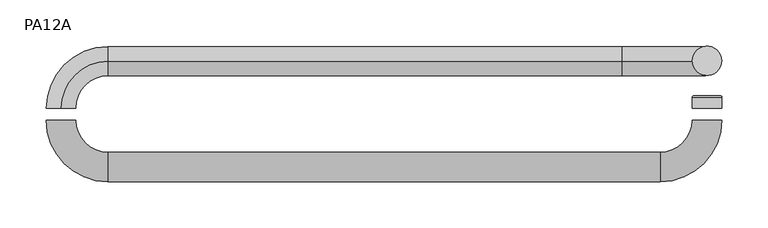
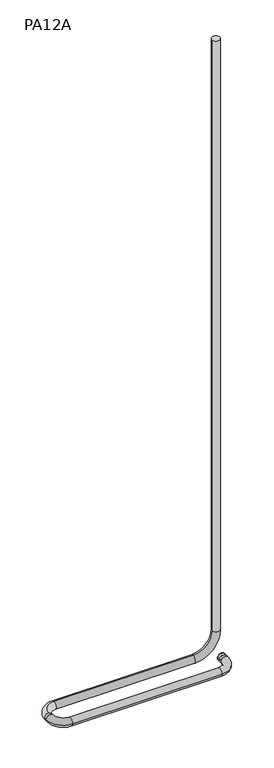
"""IFC4 building model written with IfcOpenShell, lengths in millimetres: proxy geometry, PA12A."""

from ifc_helpers import new_model, si_unit, point, frame, origin, place, context, project, spatial, circle_curve, ellipse_curve, trimmed, source, transform, mapped, element, save
from ifc_brep_helpers import plane_surface, cylinder_surface, revolved_surface, advanced_brep


def pa12a_78269cfb(model_context):
    return source(origin(), model_context, "Body", "AdvancedBrep", [
        advanced_brep(
        [(363.601, 19.8374, 1066.8), (334.899, 19.8374, 1066.8), (349.25, 19.8374, 1066.8), (365.125, 18.3134, 1066.8), (333.375, 18.3134, 1066.8), (365.125, 6.35, 1066.8), (333.375, 6.35, 1066.8), (349.25, 6.35, 1066.8)],
        [
            (0, 1, circle_curve(frame((349.25, 19.8374, 1066.8), z_axis=(0.0, 1.0, 0.0), x_axis=(-1.0, 0.0, 0.0)), 14.351)),
            (1, 2),
            (2, 0),
            (1, 0, circle_curve(frame((349.25, 19.8374, 1066.8), z_axis=(0.0, 1.0, 0.0), x_axis=(-1.0, 0.0, 0.0)), 14.351)),
            (3, 4, circle_curve(frame((349.25, 18.3134, 1066.8), z_axis=(0.0, 1.0, 0.0), x_axis=(-1.0, 0.0, 0.0)), 15.875)),
            (4, 1, circle_curve(frame((334.899, 18.3134, 1066.8), z_axis=(0.0, 0.0, -1.0), x_axis=(-1.0, 0.0, 0.0)), 1.524)),
            (0, 3, circle_curve(frame((363.601, 18.3134, 1066.8), z_axis=(0.0, 0.0, -1.0), x_axis=(1.0, 0.0, 0.0)), 1.524)),
            (4, 3, circle_curve(frame((349.25, 18.3134, 1066.8), z_axis=(0.0, 1.0, 0.0), x_axis=(-1.0, 0.0, 0.0)), 15.875)),
            (5, 6, circle_curve(frame((349.25, 6.35, 1066.8), z_axis=(0.0, 1.0, 0.0), x_axis=(-1.0, 0.0, 0.0)), 15.875)),
            (6, 4),
            (3, 5),
            (6, 5, circle_curve(frame((349.25, 6.35, 1066.8), z_axis=(0.0, 1.0, 0.0), x_axis=(-1.0, 0.0, 0.0)), 15.875)),
            (7, 6),
            (5, 7),
        ],
        [
            plane_surface(frame((349.25, 19.8374, 1066.8), z_axis=(0.0, 1.0, 0.0), x_axis=(-1.0, 0.0, 0.0))),
            revolved_surface(trimmed(ellipse_curve(frame((334.899, 18.3134, 1066.8), z_axis=(0.0, 0.0, 1.0), x_axis=(-1.0, 0.0, 0.0)), 1.524, 1.524), [point((334.899, 19.8374, 1066.8))], [point((333.375, 18.3134, 1066.8))], True, "CARTESIAN"), (349.25, -626.9065276, 1066.8), (0.0, -1.0, 0.0)),
            cylinder_surface(frame((349.25, -626.9065276, 1066.8), z_axis=(0.0, -1.0, 0.0), x_axis=(-1.0, 0.0, 0.0)), 15.875),
            plane_surface(frame((349.25, 6.35, 1066.8), z_axis=(0.0, -1.0, 0.0), x_axis=(-1.0, 0.0, 0.0))),
        ],
        [
            (0, [[1, 2, 3]]),
            (0, [[4, -3, -2]]),
            (1, [[5, 6, -1, 7]]),
            (1, [[8, -7, -4, -6]]),
            (2, [[9, 10, -5, 11]]),
            (2, [[12, -11, -8, -10]]),
            (3, [[13, -9, 14]]),
            (3, [[-14, -12, -13]]),
        ],
    ),
        advanced_brep(
        [(-365.125, -6.35, 1066.8), (-333.375, -6.35, 1066.8), (-298.45, -41.275, 1066.8), (-298.45, -73.025, 1066.8), (298.45, -73.025, 1066.8), (298.45, -41.275, 1066.8), (365.125, -6.35, 1066.8), (333.375, -6.35, 1066.8)],
        [
            (0, 1, circle_curve(frame((-349.25, -6.35, 1066.8), z_axis=(0.0, 1.0, 0.0), x_axis=(1.0, 0.0, 0.0)), 15.875)),
            (1, 0, circle_curve(frame((-349.25, -6.35, 1066.8), z_axis=(0.0, 1.0, 0.0), x_axis=(1.0, 0.0, 0.0)), 15.875)),
            (2, 1, circle_curve(frame((-298.45, -6.35, 1066.8), z_axis=(0.0, 0.0, -1.0), x_axis=(-1.0, 0.0, 0.0)), 34.925)),
            (0, 3, circle_curve(frame((-298.45, -6.35, 1066.8), z_axis=(0.0, 0.0, 1.0), x_axis=(-1.0, 0.0, 0.0)), 66.675)),
            (3, 2, circle_curve(frame((-298.45, -57.15, 1066.8), z_axis=(-1.0, 0.0, 0.0), x_axis=(0.0, 1.0, 0.0)), 15.875)),
            (2, 3, circle_curve(frame((-298.45, -57.15, 1066.8), z_axis=(-1.0, 0.0, 0.0), x_axis=(0.0, 1.0, 0.0)), 15.875)),
            (3, 4),
            (4, 5, circle_curve(frame((298.45, -57.15, 1066.8), z_axis=(-1.0, 0.0, 0.0), x_axis=(0.0, 1.0, 0.0)), 15.875)),
            (5, 2),
            (5, 4, circle_curve(frame((298.45, -57.15, 1066.8), z_axis=(-1.0, 0.0, 0.0), x_axis=(0.0, 1.0, 0.0)), 15.875)),
            (6, 7, circle_curve(frame((349.25, -6.35, 1066.8), z_axis=(0.0, 1.0, 0.0), x_axis=(-1.0, 0.0, 0.0)), 15.875)),
            (7, 6, circle_curve(frame((349.25, -6.35, 1066.8), z_axis=(0.0, 1.0, 0.0), x_axis=(-1.0, 0.0, 0.0)), 15.875)),
            (7, 5, circle_curve(frame((298.45, -6.35, 1066.8), z_axis=(0.0, 0.0, -1.0), x_axis=(0.0, -1.0, 0.0)), 34.925)),
            (4, 6, circle_curve(frame((298.45, -6.35, 1066.8), z_axis=(0.0, 0.0, 1.0), x_axis=(0.0, -1.0, 0.0)), 66.675)),
        ],
        [
            plane_surface(frame((-349.25, -6.35, 1066.8), z_axis=(0.0, 1.0, 0.0), x_axis=(0.0, 0.0, 1.0))),
            revolved_surface(trimmed(ellipse_curve(frame((-349.25, -6.35, 1066.8), z_axis=(0.0, 1.0, 0.0), x_axis=(1.0, 0.0, 0.0)), 15.875, 15.875), [point((-365.125, -6.35, 1066.8))], [point((-333.375, -6.35, 1066.8))], True, "CARTESIAN"), (-298.45, -6.35, 1066.8), (0.0, 0.0, 1.0)),
            revolved_surface(trimmed(ellipse_curve(frame((-349.25, -6.35, 1066.8), z_axis=(0.0, 1.0, 0.0), x_axis=(1.0, 0.0, 0.0)), 15.875, 15.875), [point((-333.375, -6.35, 1066.8))], [point((-365.125, -6.35, 1066.8))], True, "CARTESIAN"), (-298.45, -6.35, 1066.8), (0.0, 0.0, 1.0)),
            cylinder_surface(frame((-298.45, -57.15, 1066.8), z_axis=(-1.0, 0.0, 0.0), x_axis=(0.0, 1.0, 0.0)), 15.875),
            plane_surface(frame((349.25, -6.35, 1066.8), z_axis=(0.0, 1.0, 0.0), x_axis=(0.0, 0.0, 1.0))),
            revolved_surface(trimmed(ellipse_curve(frame((298.45, -57.15, 1066.8), z_axis=(-1.0, 0.0, 0.0), x_axis=(0.0, 1.0, 0.0)), 15.875, 15.875), [point((298.45, -73.025, 1066.8))], [point((298.45, -41.275, 1066.8))], True, "CARTESIAN"), (298.45, -6.35, 1066.8), (0.0, 0.0, 1.0)),
            revolved_surface(trimmed(ellipse_curve(frame((298.45, -57.15, 1066.8), z_axis=(-1.0, 0.0, 0.0), x_axis=(0.0, 1.0, 0.0)), 15.875, 15.875), [point((298.45, -41.275, 1066.8))], [point((298.45, -73.025, 1066.8))], True, "CARTESIAN"), (298.45, -6.35, 1066.8), (0.0, 0.0, 1.0)),
        ],
        [
            (0, [[1, 2]]),
            (1, [[3, -1, 4, 5]]),
            (2, [[-4, -2, -3, 6]]),
            (3, [[-5, 7, 8, 9]]),
            (3, [[-6, -9, 10, -7]]),
            (4, [[11, 12]]),
            (5, [[13, -8, 14, -12]]),
            (6, [[-14, -10, -13, -11]]),
        ],
    ),
        advanced_brep(
        [(-349.25, 6.35, 1082.675), (-349.25, 6.35, 1050.925), (333.375, 57.15, 3651.25), (365.125, 57.15, 3651.25), (-298.45, 57.15, 1050.925), (-298.45, 57.15, 1082.675), (257.175, 57.15, 1082.675), (257.175, 57.15, 1050.925), (365.125, 57.15, 1158.875), (333.375, 57.15, 1158.875)],
        [
            (0, 1, circle_curve(frame((-349.25, 6.35, 1066.8), z_axis=(0.0, -1.0, 0.0), x_axis=(0.0, 0.0, -1.0)), 15.875)),
            (1, 0, circle_curve(frame((-349.25, 6.35, 1066.8), z_axis=(0.0, -1.0, 0.0), x_axis=(0.0, 0.0, -1.0)), 15.875)),
            (2, 3, circle_curve(frame((349.25, 57.15, 3651.25), z_axis=(0.0, 0.0, 1.0), x_axis=(1.0, 0.0, 0.0)), 15.875)),
            (3, 2, circle_curve(frame((349.25, 57.15, 3651.25), z_axis=(0.0, 0.0, 1.0), x_axis=(1.0, 0.0, 0.0)), 15.875)),
            (4, 1, circle_curve(frame((-298.45, 6.35, 1050.925), z_axis=(0.0, 0.0, 1.0), x_axis=(-1.0, 0.0, 0.0)), 50.8)),
            (0, 5, circle_curve(frame((-298.45, 6.35, 1082.675), z_axis=(0.0, 0.0, -1.0), x_axis=(-1.0, 0.0, 0.0)), 50.8)),
            (5, 4, circle_curve(frame((-298.45, 57.15, 1066.8), z_axis=(-1.0, 0.0, 0.0), x_axis=(0.0, 0.0, -1.0)), 15.875)),
            (4, 5, circle_curve(frame((-298.45, 57.15, 1066.8), z_axis=(-1.0, 0.0, 0.0), x_axis=(0.0, 0.0, -1.0)), 15.875)),
            (5, 6),
            (6, 7, circle_curve(frame((257.175, 57.15, 1066.8), z_axis=(-1.0, 0.0, 0.0), x_axis=(0.0, 0.0, -1.0)), 15.875)),
            (7, 4),
            (7, 6, circle_curve(frame((257.175, 57.15, 1066.8), z_axis=(-1.0, 0.0, 0.0), x_axis=(0.0, 0.0, -1.0)), 15.875)),
            (8, 7, circle_curve(frame((257.175, 57.15, 1158.875), z_axis=(0.0, 1.0, 0.0), x_axis=(0.0, 0.0, -1.0)), 107.95)),
            (6, 9, circle_curve(frame((257.175, 57.15, 1158.875), z_axis=(0.0, -1.0, 0.0), x_axis=(0.0, 0.0, -1.0)), 76.2)),
            (9, 8, circle_curve(frame((349.25, 57.15, 1158.875), z_axis=(0.0, 0.0, -1.0), x_axis=(1.0, 0.0, 0.0)), 15.875)),
            (8, 9, circle_curve(frame((349.25, 57.15, 1158.875), z_axis=(0.0, 0.0, -1.0), x_axis=(1.0, 0.0, 0.0)), 15.875)),
            (9, 2),
            (3, 8),
        ],
        [
            plane_surface(frame((-298.45, 6.35, 1066.8), z_axis=(0.0, -1.0, 0.0), x_axis=(-1.0, 0.0, 0.0))),
            plane_surface(frame((349.25, 41.275, 3651.25), z_axis=(0.0, 0.0, 1.0), x_axis=(1.0, 0.0, 0.0))),
            revolved_surface(trimmed(ellipse_curve(frame((-349.25, 6.35, 1066.8), z_axis=(0.0, -1.0, 0.0), x_axis=(0.0, 0.0, -1.0)), 15.875, 15.875), [point((-349.25, 6.35, 1082.675))], [point((-349.25, 6.35, 1050.925))], True, "CARTESIAN"), (-298.45, 6.35, 1066.8), (0.0, 0.0, -1.0)),
            revolved_surface(trimmed(ellipse_curve(frame((-349.25, 6.35, 1066.8), z_axis=(0.0, -1.0, 0.0), x_axis=(0.0, 0.0, -1.0)), 15.875, 15.875), [point((-349.25, 6.35, 1050.925))], [point((-349.25, 6.35, 1082.675))], True, "CARTESIAN"), (-298.45, 6.35, 1066.8), (0.0, 0.0, -1.0)),
            cylinder_surface(frame((-298.45, 57.15, 1066.8), z_axis=(-1.0, 0.0, 0.0), x_axis=(0.0, 0.0, -1.0)), 15.875),
            revolved_surface(trimmed(ellipse_curve(frame((257.175, 57.15, 1066.8), z_axis=(-1.0, 0.0, 0.0), x_axis=(0.0, 0.0, -1.0)), 15.875, 15.875), [point((257.175, 57.15, 1082.675))], [point((257.175, 57.15, 1050.925))], True, "CARTESIAN"), (257.175, 57.15, 1158.875), (0.0, -1.0, 0.0)),
            revolved_surface(trimmed(ellipse_curve(frame((257.175, 57.15, 1066.8), z_axis=(-1.0, 0.0, 0.0), x_axis=(0.0, 0.0, -1.0)), 15.875, 15.875), [point((257.175, 57.15, 1050.925))], [point((257.175, 57.15, 1082.675))], True, "CARTESIAN"), (257.175, 57.15, 1158.875), (0.0, -1.0, 0.0)),
            cylinder_surface(frame((349.25, 57.15, 1158.875), z_axis=(0.0, 0.0, -1.0), x_axis=(1.0, 0.0, 0.0)), 15.875),
        ],
        [
            (0, [[1, 2]]),
            (1, [[3, 4]]),
            (2, [[5, -1, 6, 7]]),
            (3, [[-6, -2, -5, 8]]),
            (4, [[-7, 9, 10, 11]]),
            (4, [[-8, -11, 12, -9]]),
            (5, [[13, -10, 14, 15]]),
            (6, [[-14, -12, -13, 16]]),
            (7, [[-15, 17, -4, 18]]),
            (7, [[-16, -18, -3, -17]]),
        ],
    ),
    ])


if __name__ == "__main__":
    model = new_model("IFC4")
    model_context = context("Model", 3, world=origin())
    ifc_project = project(units=[si_unit("LENGTHUNIT", "METRE", prefix="MILLI")], contexts=[model_context])
    site = spatial("IfcSite", under=ifc_project)
    building = spatial("IfcBuilding", under=site)
    placement = place(None, origin())
    pa12a_shape = pa12a_78269cfb(model_context)
    element("IfcBuildingElementProxy", 1, Name="PA12A", ObjectType="PA12A", at=placement, inside=building, context=model_context, shape_type="MappedRepresentation", body=[
        mapped(pa12a_shape, transform((0.0, 0.0, 0.0), x_axis=(1.0, 0.0, 0.0), y_axis=(0.0, 1.0, 0.0), z_axis=(0.0, 0.0, 1.0))),
    ])
    save(model, "model.ifc")
